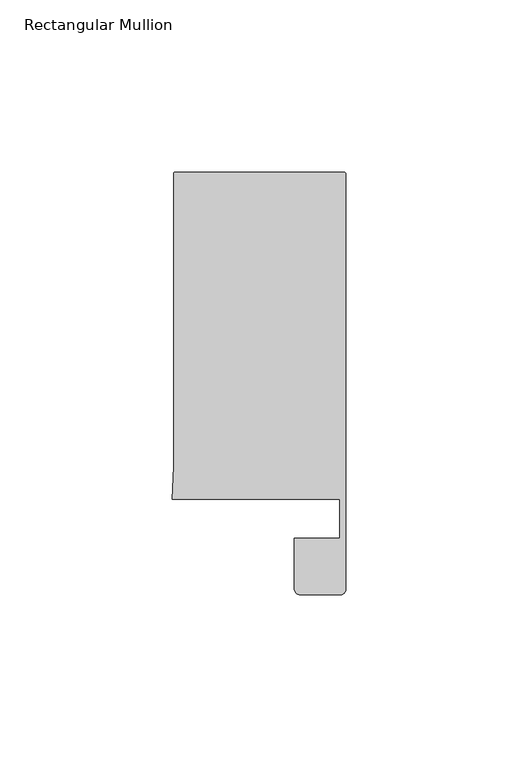
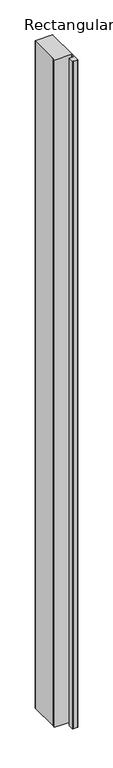
"""IFC4 building model written with IfcOpenShell, lengths in millimetres: member geometry, Rectangular Mullion."""

from ifc_helpers import new_model, si_unit, point, frame, frame_2d, origin, place, context, project, spatial, polyline, circle_curve, trimmed, segment, composite_curve, outline, extrude, source, transform, mapped, element, save


def rectangular_mullion_eccdff86(model_context):
    return source(origin(), model_context, "Body", "SweptSolid", [
        extrude(outline(composite_curve([segment(trimmed(circle_curve(frame_2d((-0.5, 108.495417)), 0.5), [point((-0.5, 108.995417))], [point((0.0, 108.495417))], False, "CARTESIAN"), True, "CONTINUOUS"), segment(polyline([(0.0, 108.495417), (0.0, 14.0), (0.0, -12.3070793)]), True, "CONTINUOUS"), segment(trimmed(circle_curve(frame_2d((-1.5, -12.3070793)), 1.5), [point((0.0, -12.3070793))], [point((-1.5, -13.8070793))], False, "CARTESIAN"), True, "CONTINUOUS"), segment(polyline([(-1.5, -13.8070793), (-13.2119115, -13.8070793)]), True, "CONTINUOUS"), segment(trimmed(circle_curve(frame_2d((-13.2119115, -12.0189908)), 1.7880885), [point((-13.2119115, -13.8070793))], [point((-15.0, -12.0189908))], False, "CARTESIAN"), True, "CONTINUOUS"), segment(polyline([(-15.0, -12.0189908), (-15.0, 2.6022043), (-1.8, 2.6022043), (-1.8, 14.0), (-50.4480459, 14.0), (-50.0, 23.4856858), (-50.0, 108.495417)]), True, "CONTINUOUS"), segment(trimmed(circle_curve(frame_2d((-49.5, 108.495417)), 0.5), [point((-50.0, 108.495417))], [point((-49.5, 108.995417))], False, "CARTESIAN"), True, "CONTINUOUS"), segment(polyline([(-49.5, 108.995417), (-0.5, 108.995417)]), True, "CONTINUOUS")], self_intersect=False)), frame((0.0, 0.0, -1991.3982976), z_axis=(0.0, 0.0, 1.0), x_axis=(1.0, 0.0, 0.0)), (0.0, 0.0, 1.0), 1991.3982976),
    ])


if __name__ == "__main__":
    model = new_model("IFC4")
    model_context = context("Model", 3, world=origin())
    ifc_project = project(units=[si_unit("LENGTHUNIT", "METRE", prefix="MILLI")], contexts=[model_context])
    site = spatial("IfcSite", under=ifc_project)
    building = spatial("IfcBuilding", under=site)
    placement = place(None, origin())
    rectangular_mullion_shape = rectangular_mullion_eccdff86(model_context)
    element("IfcMember", 1, ObjectType="Rectangular Mullion", at=placement, inside=building, context=model_context, shape_type="MappedRepresentation", body=[
        mapped(rectangular_mullion_shape, transform((0.0, 0.0, 0.0), x_axis=(1.0, 0.0, 0.0), y_axis=(0.0, 1.0, 0.0), z_axis=(0.0, 0.0, 1.0))),
    ])
    save(model, "model.ifc")
